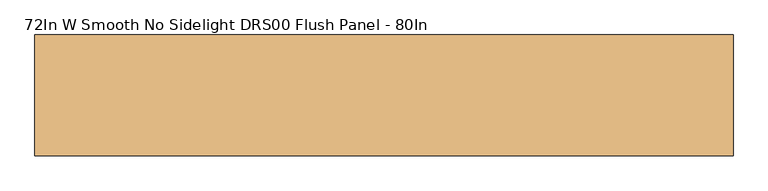
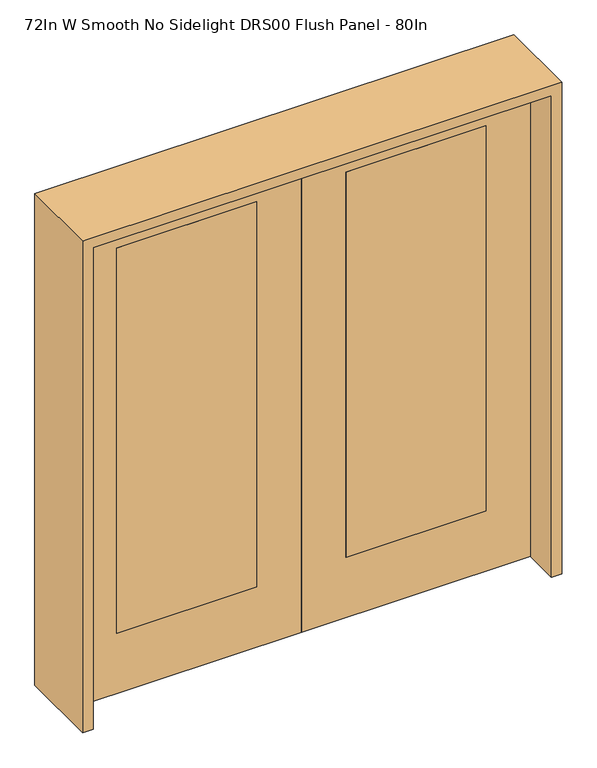
"""IFC4 building model written with IfcOpenShell, lengths in millimetres: door geometry, 72In W Smooth No Sidelight DRS00 Flush Panel - 80In."""

from ifc_helpers import new_model, si_unit, frame, origin, place, context, project, spatial, polyline, outline, extrude, source, transform, mapped, element, save


def door_72in_w_smooth_no_sidelight_drs00_flush_panel_80in_218b2ae5(model_context):
    return source(origin(), model_context, "Body", "SweptSolid", [
        extrude(outline(polyline([(2032.0, -914.4), (0.0, -914.4), (0.0, 0.0), (2032.0, 0.0), (2032.0, -914.4)]), holes=[polyline([(254.0, -736.6), (1879.6, -736.6), (1879.6, -177.8), (254.0, -177.8), (254.0, -736.6)])]), frame((0.0, -20.701, 0.0), z_axis=(0.0, 1.0, 0.0), x_axis=(0.0, 0.0, 1.0)), (0.0, 0.0, 1.0), 41.402),
        extrude(outline(polyline([(-736.6, -20.701), (-736.6, 20.701), (-177.8, 20.701), (-177.8, -20.701), (-736.6, -20.701)])), frame((0.0, 0.0, 254.0), z_axis=(0.0, 0.0, 1.0), x_axis=(1.0, 0.0, 0.0)), (0.0, 0.0, 1.0), 1625.6),
        extrude(outline(polyline([(2032.0, 914.4), (2032.0, 0.0), (0.0, 0.0), (0.0, 914.4), (2032.0, 914.4)]), holes=[polyline([(254.0, 736.6), (254.0, 177.8), (1879.6, 177.8), (1879.6, 736.6), (254.0, 736.6)])]), frame((0.0, -20.701, 0.0), z_axis=(0.0, 1.0, 0.0), x_axis=(0.0, 0.0, 1.0)), (0.0, 0.0, 1.0), 41.402),
        extrude(outline(polyline([(736.6, -20.701), (177.8, -20.701), (177.8, 20.701), (736.6, 20.701), (736.6, -20.701)])), frame((0.0, 0.0, 254.0), z_axis=(0.0, 0.0, 1.0), x_axis=(1.0, 0.0, 0.0)), (0.0, 0.0, 1.0), 1625.6),
        extrude(outline(polyline([(2073.275, -955.675), (0.0, -955.675), (0.0, -914.4), (2032.0, -914.4), (2032.0, 914.4), (0.0, 914.4), (0.0, 955.675), (2073.275, 955.675), (2073.275, -955.675)])), frame((0.0, -165.1, 0.0), z_axis=(0.0, 1.0, 0.0), x_axis=(0.0, 0.0, 1.0)), (0.0, 0.0, 1.0), 330.2),
    ])


if __name__ == "__main__":
    model = new_model("IFC4")
    model_context = context("Model", 3, world=origin())
    ifc_project = project(units=[si_unit("LENGTHUNIT", "METRE", prefix="MILLI")], contexts=[model_context])
    site = spatial("IfcSite", under=ifc_project)
    building = spatial("IfcBuilding", under=site)
    placement = place(None, origin())
    door_72in_w_smooth_no_sidelight_drs00_flush_panel_80in_shape = door_72in_w_smooth_no_sidelight_drs00_flush_panel_80in_218b2ae5(model_context)
    element("IfcDoor", 1, ObjectType="72In W Smooth No Sidelight DRS00 Flush Panel - 80In", at=placement, inside=building, context=model_context, shape_type="MappedRepresentation", body=[
        mapped(door_72in_w_smooth_no_sidelight_drs00_flush_panel_80in_shape, transform((0.0, 0.0, 0.0), x_axis=(1.0, 0.0, 0.0), y_axis=(0.0, 1.0, 0.0), z_axis=(0.0, 0.0, 1.0))),
    ])
    save(model, "model.ifc")
